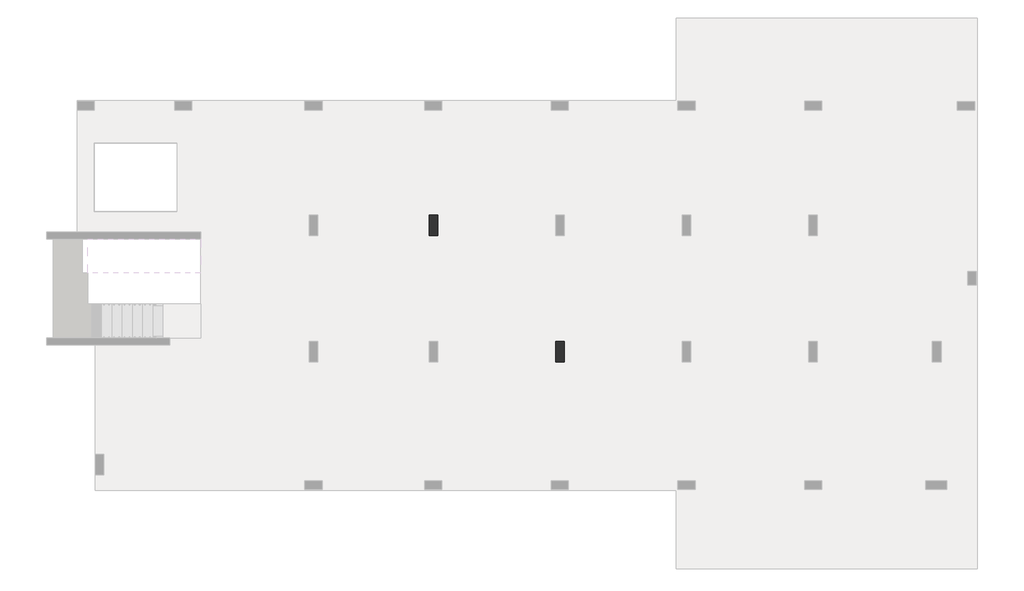
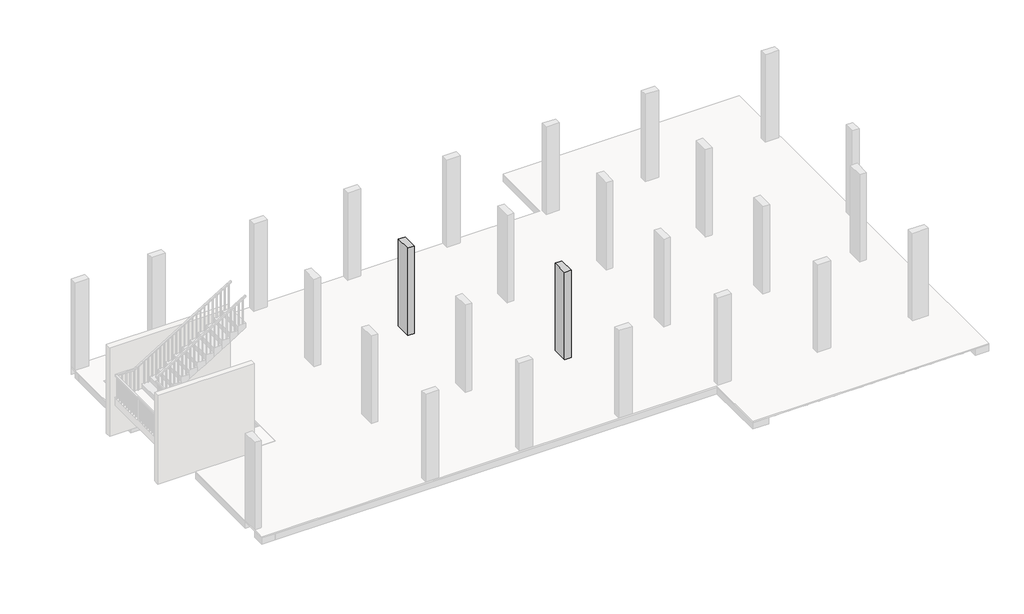
# One storey, part 2 of 5: 17 beams, 2 columns.
"""IFC4 building model written with IfcOpenShell, lengths in millimetres."""

from ifc_helpers import new_model, si_unit, frame, origin, place, context, project, spatial, polyline, outline, extrude, faceted_brep, element, save

model = new_model("IFC4")

# Units and contexts
model_context = context("Model", 3, world=origin())
ifc_project = project(units=[si_unit("LENGTHUNIT", "METRE", prefix="MILLI")], contexts=[model_context])

# Site, building, storey
site = spatial("IfcSite", under=ifc_project)
building = spatial("IfcBuilding", under=site)
storey = spatial("IfcBuildingStorey", under=building, Elevation=7000.0)

# Beams
placement = place(None, origin())
element("IfcBeam", 1, ObjectType="B 150 x 250 mm", at=placement, inside=storey, context=model_context, shape_type="SweptSolid", body=[
    extrude(outline(polyline([(14525.0390798, -3896.893934), (14675.0390798, -3896.893934), (14675.0390798, -6796.8939341), (14525.0390798, -6796.8939341), (14525.0390798, -3896.893934)])), frame((0.0, 0.0, 6700.0), z_axis=(0.0, 0.0, 1.0), x_axis=(1.0, 0.0, 0.0)), (0.0, 0.0, 1.0), 250.0),
])
element("IfcBeam", 2, ObjectType="B 150 x 250 mm", at=placement, inside=storey, context=model_context, shape_type="SweptSolid", body=[
    extrude(outline(polyline([(15075.0390798, -3896.893934), (15225.0390798, -3896.893934), (15225.0390798, -6796.8939341), (15075.0390798, -6796.8939341), (15075.0390798, -3896.893934)])), frame((0.0, 0.0, 6700.0), z_axis=(0.0, 0.0, 1.0), x_axis=(1.0, 0.0, 0.0)), (0.0, 0.0, 1.0), 250.0),
])
element("IfcBeam", 3, ObjectType="B 150 x 250 mm", at=placement, inside=storey, context=model_context, shape_type="SweptSolid", body=[
    extrude(outline(polyline([(15625.0390798, -3896.893934), (15775.0390798, -3896.893934), (15775.0390798, -6796.8939341), (15625.0390798, -6796.8939341), (15625.0390798, -3896.893934)])), frame((0.0, 0.0, 6700.0), z_axis=(0.0, 0.0, 1.0), x_axis=(1.0, 0.0, 0.0)), (0.0, 0.0, 1.0), 250.0),
])
element("IfcBeam", 4, ObjectType="B 150 x 250 mm", at=placement, inside=storey, context=model_context, shape_type="SweptSolid", body=[
    extrude(outline(polyline([(10825.0390798, -346.893934), (10975.0390798, -346.893934), (10975.0390798, -3096.893934), (10825.0390798, -3096.893934), (10825.0390798, -346.893934)])), frame((0.0, 0.0, 6700.0), z_axis=(0.0, 0.0, 1.0), x_axis=(1.0, 0.0, 0.0)), (0.0, 0.0, 1.0), 250.0),
])
element("IfcBeam", 5, ObjectType="B 150 x 250 mm", at=placement, inside=storey, context=model_context, shape_type="SweptSolid", body=[
    extrude(outline(polyline([(11375.0390798, -346.893934), (11525.0390798, -346.893934), (11525.0390798, -3096.893934), (11375.0390798, -3096.893934), (11375.0390798, -346.893934)])), frame((0.0, 0.0, 6700.0), z_axis=(0.0, 0.0, 1.0), x_axis=(1.0, 0.0, 0.0)), (0.0, 0.0, 1.0), 250.0),
])
element("IfcBeam", 6, ObjectType="B 150 x 250 mm", at=placement, inside=storey, context=model_context, shape_type="SweptSolid", body=[
    extrude(outline(polyline([(10825.0390798, -3896.893934), (10975.0390798, -3896.893934), (10975.0390798, -6796.8939341), (10825.0390798, -6796.8939341), (10825.0390798, -3896.893934)])), frame((0.0, 0.0, 6700.0), z_axis=(0.0, 0.0, 1.0), x_axis=(1.0, 0.0, 0.0)), (0.0, 0.0, 1.0), 250.0),
])
element("IfcBeam", 7, ObjectType="B 150 x 250 mm", at=placement, inside=storey, context=model_context, shape_type="SweptSolid", body=[
    extrude(outline(polyline([(11375.0390798, -3896.893934), (11525.0390798, -3896.893934), (11525.0390798, -6796.8939341), (11375.0390798, -6796.8939341), (11375.0390798, -3896.893934)])), frame((0.0, 0.0, 6700.0), z_axis=(0.0, 0.0, 1.0), x_axis=(1.0, 0.0, 0.0)), (0.0, 0.0, 1.0), 250.0),
])
element("IfcBeam", 8, ObjectType="B 150 x 250 mm", at=placement, inside=storey, context=model_context, shape_type="SweptSolid", body=[
    extrude(outline(polyline([(11925.0390798, -3896.893934), (12075.0390798, -3896.893934), (12075.0390798, -6796.8939341), (11925.0390798, -6796.8939341), (11925.0390798, -3896.893934)])), frame((0.0, 0.0, 6700.0), z_axis=(0.0, 0.0, 1.0), x_axis=(1.0, 0.0, 0.0)), (0.0, 0.0, 1.0), 250.0),
])
element("IfcBeam", 9, ObjectType="B 150 x 250 mm", at=placement, inside=storey, context=model_context, shape_type="SweptSolid", body=[
    extrude(outline(polyline([(12475.0390798, -3896.893934), (12625.0390798, -3896.893934), (12625.0390798, -6796.8939341), (12475.0390798, -6796.8939341), (12475.0390798, -3896.893934)])), frame((0.0, 0.0, 6700.0), z_axis=(0.0, 0.0, 1.0), x_axis=(1.0, 0.0, 0.0)), (0.0, 0.0, 1.0), 250.0),
])
element("IfcBeam", 10, ObjectType="B 150 x 250 mm", at=placement, inside=storey, context=model_context, shape_type="SweptSolid", body=[
    extrude(outline(polyline([(13025.0390798, -3896.893934), (13175.0390798, -3896.893934), (13175.0390798, -6796.8939341), (13025.0390798, -6796.8939341), (13025.0390798, -3896.893934)])), frame((0.0, 0.0, 6700.0), z_axis=(0.0, 0.0, 1.0), x_axis=(1.0, 0.0, 0.0)), (0.0, 0.0, 1.0), 250.0),
])
element("IfcBeam", 11, ObjectType="B 150 x 250 mm", at=placement, inside=storey, context=model_context, shape_type="SweptSolid", body=[
    extrude(outline(polyline([(9425.0390798, -3896.893934), (9575.0390798, -3896.893934), (9575.0390798, -6796.8939341), (9425.0390798, -6796.8939341), (9425.0390798, -3896.893934)])), frame((0.0, 0.0, 6700.0), z_axis=(0.0, 0.0, 1.0), x_axis=(1.0, 0.0, 0.0)), (0.0, 0.0, 1.0), 250.0),
])
element("IfcBeam", 12, ObjectType="B 150 x 250 mm", at=placement, inside=storey, context=model_context, shape_type="SweptSolid", body=[
    extrude(outline(polyline([(8325.0390798, -346.893934), (8475.0390798, -346.893934), (8475.0390798, -3096.893934), (8325.0390798, -3096.893934), (8325.0390798, -346.893934)])), frame((0.0, 0.0, 6700.0), z_axis=(0.0, 0.0, 1.0), x_axis=(1.0, 0.0, 0.0)), (0.0, 0.0, 1.0), 250.0),
])
element("IfcBeam", 13, ObjectType="B 150 x 250 mm", at=placement, inside=storey, context=model_context, shape_type="SweptSolid", body=[
    extrude(outline(polyline([(8875.0390798, -346.893934), (9025.0390798, -346.893934), (9025.0390798, -3096.893934), (8875.0390798, -3096.893934), (8875.0390798, -346.893934)])), frame((0.0, 0.0, 6700.0), z_axis=(0.0, 0.0, 1.0), x_axis=(1.0, 0.0, 0.0)), (0.0, 0.0, 1.0), 250.0),
])
element("IfcBeam", 14, ObjectType="B 150 x 250 mm", at=placement, inside=storey, context=model_context, shape_type="SweptSolid", body=[
    extrude(outline(polyline([(9425.0390798, -346.893934), (9575.0390798, -346.893934), (9575.0390798, -3096.893934), (9425.0390798, -3096.893934), (9425.0390798, -346.893934)])), frame((0.0, 0.0, 6700.0), z_axis=(0.0, 0.0, 1.0), x_axis=(1.0, 0.0, 0.0)), (0.0, 0.0, 1.0), 250.0),
])
element("IfcBeam", 15, ObjectType="B4 800 x 250 mm", at=placement, inside=storey, context=model_context, shape_type="Brep", body=[
    faceted_brep([(25550.0000727, -7596.8939341, 6950.0), (25550.0000727, -7596.8939341, 6700.0), (25550.0000727, -6796.8939341, 6700.0), (25550.0000727, -6796.8939341, 6950.0), (25275.0195763, -6796.8939341, 6950.0), (25125.0195763, -6796.8939341, 6950.0), (24725.0195763, -6796.8939341, 6950.0), (24575.0195763, -6796.8939341, 6950.0), (24175.0195763, -6796.8939341, 6950.0), (24025.0195763, -6796.8939341, 6950.0), (23625.0195763, -6796.8939341, 6950.0), (23475.0195763, -6796.8939341, 6950.0), (23075.0195763, -6796.8939341, 6950.0), (22925.0195763, -6796.8939341, 6950.0), (22525.0195763, -6796.8939341, 6950.0), (22375.0195763, -6796.8939341, 6950.0), (21975.0195763, -6796.8939341, 6950.0), (21825.0195763, -6796.8939341, 6950.0), (21550.0390798, -6796.8939341, 6950.0), (20950.0390798, -6796.8939341, 6950.0), (20575.0390798, -6796.8939341, 6950.0), (20425.0390798, -6796.8939341, 6950.0), (20025.0390798, -6796.8939341, 6950.0), (19875.0390798, -6796.8939341, 6950.0), (19475.0390798, -6796.8939341, 6950.0), (19325.0390798, -6796.8939341, 6950.0), (18925.0390798, -6796.8939341, 6950.0), (18775.0390798, -6796.8939341, 6950.0), (18375.0390798, -6796.8939341, 6950.0), (18225.0390798, -6796.8939341, 6950.0), (17850.0390798, -6796.8939341, 6950.0), (17250.0390798, -6796.8939341, 6950.0), (16875.0390798, -6796.8939341, 6950.0), (16725.0390798, -6796.8939341, 6950.0), (16325.0390798, -6796.8939341, 6950.0), (16175.0390798, -6796.8939341, 6950.0), (15775.0390798, -6796.8939341, 6950.0), (15625.0390798, -6796.8939341, 6950.0), (15225.0390798, -6796.8939341, 6950.0), (15075.0390798, -6796.8939341, 6950.0), (14675.0390798, -6796.8939341, 6950.0), (14525.0390798, -6796.8939341, 6950.0), (14150.0390798, -6796.8939341, 6950.0), (13550.0390798, -6796.8939341, 6950.0), (13175.0390798, -6796.8939341, 6950.0), (13025.0390798, -6796.8939341, 6950.0), (12625.0390798, -6796.8939341, 6950.0), (12475.0390798, -6796.8939341, 6950.0), (12075.0390798, -6796.8939341, 6950.0), (11925.0390798, -6796.8939341, 6950.0), (11525.0390798, -6796.8939341, 6950.0), (11375.0390798, -6796.8939341, 6950.0), (10975.0390798, -6796.8939341, 6950.0), (10825.0390798, -6796.8939341, 6950.0), (10450.0390798, -6796.8939341, 6950.0), (9850.0390798, -6796.8939341, 6950.0), (9575.0390798, -6796.8939341, 6950.0), (9425.0390798, -6796.8939341, 6950.0), (9025.0390798, -6796.8939341, 6950.0), (8875.0390798, -6796.8939341, 6950.0), (8475.0390798, -6796.8939341, 6950.0), (8325.0390798, -6796.8939341, 6950.0), (7925.0390798, -6796.8939341, 6950.0), (7775.0390798, -6796.8939341, 6950.0), (7375.0390798, -6796.8939341, 6950.0), (7225.0390798, -6796.8939341, 6950.0), (6950.0390798, -6796.8939341, 6950.0), (6350.0390798, -6796.8939341, 6950.0), (6275.0195399, -6796.8939341, 6950.0), (6125.0195399, -6796.8939341, 6950.0), (5725.0195399, -6796.8939341, 6950.0), (5575.0195399, -6796.8939341, 6950.0), (5175.0195399, -6796.8939341, 6950.0), (5025.0195399, -6796.8939341, 6950.0), (4625.0195399, -6796.8939341, 6950.0), (4475.0195399, -6796.8939341, 6950.0), (4075.0195399, -6796.8939341, 6950.0), (3925.0195399, -6796.8939341, 6950.0), (3850.0, -6796.8939341, 6950.0), (3350.0, -6796.8939341, 6950.0), (2450.0, -6796.8939341, 6950.0), (2450.0, -6996.8939341, 6950.0), (777.7588387, -6996.8939341, 6950.0), (777.7588387, -7596.8939341, 6950.0), (888.8989593, -7596.8939341, 6950.0), (1288.8989593, -7596.8939341, 6950.0), (1438.8989593, -7596.8939341, 6950.0), (1838.8989593, -7596.8939341, 6950.0), (1988.8989593, -7596.8939341, 6950.0), (2388.8989593, -7596.8939341, 6950.0), (2538.8989593, -7596.8939341, 6950.0), (2938.8989593, -7596.8939341, 6950.0), (3088.8989593, -7596.8939341, 6950.0), (3488.8989593, -7596.8939341, 6950.0), (3638.8989593, -7596.8939341, 6950.0), (4038.8989593, -7596.8939341, 6950.0), (4188.8989593, -7596.8939341, 6950.0), (4588.8989593, -7596.8939341, 6950.0), (4738.8989593, -7596.8939341, 6950.0), (5138.8989593, -7596.8939341, 6950.0), (5288.8989593, -7596.8939341, 6950.0), (5688.8989593, -7596.8939341, 6950.0), (5838.8989593, -7596.8939341, 6950.0), (6238.8989593, -7596.8939341, 6950.0), (6350.0390798, -7596.8939341, 6950.0), (6950.0390798, -7596.8939341, 6950.0), (7225.0390798, -7596.8939341, 6950.0), (7375.0390798, -7596.8939341, 6950.0), (7775.0390798, -7596.8939341, 6950.0), (7925.0390798, -7596.8939341, 6950.0), (8325.0390798, -7596.8939341, 6950.0), (8475.0390798, -7596.8939341, 6950.0), (8875.0390798, -7596.8939341, 6950.0), (9025.0390798, -7596.8939341, 6950.0), (9425.0390798, -7596.8939341, 6950.0), (9575.0390798, -7596.8939341, 6950.0), (9850.0390798, -7596.8939341, 6950.0), (10450.0390798, -7596.8939341, 6950.0), (10825.0390798, -7596.8939341, 6950.0), (10975.0390798, -7596.8939341, 6950.0), (11375.0390798, -7596.8939341, 6950.0), (11525.0390798, -7596.8939341, 6950.0), (11925.0390798, -7596.8939341, 6950.0), (12075.0390798, -7596.8939341, 6950.0), (12475.0390798, -7596.8939341, 6950.0), (12625.0390798, -7596.8939341, 6950.0), (13025.0390798, -7596.8939341, 6950.0), (13175.0390798, -7596.8939341, 6950.0), (13550.0390798, -7596.8939341, 6950.0), (14150.0390798, -7596.8939341, 6950.0), (14525.0390798, -7596.8939341, 6950.0), (14675.0390798, -7596.8939341, 6950.0), (15075.0390798, -7596.8939341, 6950.0), (15225.0390798, -7596.8939341, 6950.0), (15625.0390798, -7596.8939341, 6950.0), (15775.0390798, -7596.8939341, 6950.0), (16175.0390798, -7596.8939341, 6950.0), (16325.0390798, -7596.8939341, 6950.0), (16725.0390798, -7596.8939341, 6950.0), (16875.0390798, -7596.8939341, 6950.0), (17250.0390798, -7596.8939341, 6950.0), (17850.0390798, -7596.8939341, 6950.0), (18225.0390798, -7596.8939341, 6950.0), (18375.0390798, -7596.8939341, 6950.0), (18775.0390798, -7596.8939341, 6950.0), (18925.0390798, -7596.8939341, 6950.0), (19325.0390798, -7596.8939341, 6950.0), (19475.0390798, -7596.8939341, 6950.0), (19875.0390798, -7596.8939341, 6950.0), (20025.0390798, -7596.8939341, 6950.0), (20425.0390798, -7596.8939341, 6950.0), (20575.0390798, -7596.8939341, 6950.0), (20950.0390798, -7596.8939341, 6950.0), (21550.0390798, -7596.8939341, 6950.0), (21825.0195763, -7596.8939341, 6950.0), (21975.0195763, -7596.8939341, 6950.0), (22375.0195763, -7596.8939341, 6950.0), (22525.0195763, -7596.8939341, 6950.0), (22925.0195763, -7596.8939341, 6950.0), (23075.0195763, -7596.8939341, 6950.0), (23475.0195763, -7596.8939341, 6950.0), (23625.0195763, -7596.8939341, 6950.0), (24025.0195763, -7596.8939341, 6950.0), (24175.0195763, -7596.8939341, 6950.0), (24575.0195763, -7596.8939341, 6950.0), (24725.0195763, -7596.8939341, 6950.0), (25125.0195763, -7596.8939341, 6950.0), (25275.0195763, -7596.8939341, 6950.0), (24735.2850434, -6896.8939341, 6950.0), (24985.2850434, -6896.8939341, 6950.0), (24985.2850434, -7496.8939341, 6950.0), (24735.2850434, -7496.8939341, 6950.0), (21125.0390798, -6896.8939341, 6950.0), (21375.0390798, -6896.8939341, 6950.0), (21375.0390798, -7496.8939341, 6950.0), (21125.0390798, -7496.8939341, 6950.0), (17425.0390798, -6896.8939341, 6950.0), (17675.0390798, -6896.8939341, 6950.0), (17675.0390798, -7496.8939341, 6950.0), (17425.0390798, -7496.8939341, 6950.0), (13725.0390798, -6896.8939341, 6950.0), (13975.0390798, -6896.8939341, 6950.0), (13975.0390798, -7496.8939341, 6950.0), (13725.0390798, -7496.8939341, 6950.0), (10025.0390798, -6896.8939341, 6950.0), (10275.0390798, -6896.8939341, 6950.0), (10275.0390798, -7496.8939341, 6950.0), (10025.0390798, -7496.8939341, 6950.0), (6525.0390798, -6896.8939341, 6950.0), (6775.0390798, -6896.8939341, 6950.0), (6775.0390798, -7496.8939341, 6950.0), (6525.0390798, -7496.8939341, 6950.0), (25275.0195763, -6796.8939341, 6700.0), (25125.0195763, -6796.8939341, 6700.0), (24725.0195763, -6796.8939341, 6700.0), (24575.0195763, -6796.8939341, 6700.0), (24175.0195763, -6796.8939341, 6700.0), (24025.0195763, -6796.8939341, 6700.0), (23625.0195763, -6796.8939341, 6700.0), (23475.0195763, -6796.8939341, 6700.0), (23075.0195763, -6796.8939341, 6700.0), (22925.0195763, -6796.8939341, 6700.0), (22525.0195763, -6796.8939341, 6700.0), (22375.0195763, -6796.8939341, 6700.0), (21975.0195763, -6796.8939341, 6700.0), (21825.0195763, -6796.8939341, 6700.0), (21550.0390798, -6796.8939341, 6700.0), (20950.0390798, -6796.8939341, 6700.0), (20575.0390798, -6796.8939341, 6700.0), (20425.0390798, -6796.8939341, 6700.0), (20025.0390798, -6796.8939341, 6700.0), (19875.0390798, -6796.8939341, 6700.0), (19475.0390798, -6796.8939341, 6700.0), (19325.0390798, -6796.8939341, 6700.0), (18925.0390798, -6796.8939341, 6700.0), (18775.0390798, -6796.8939341, 6700.0), (18375.0390798, -6796.8939341, 6700.0), (18225.0390798, -6796.8939341, 6700.0), (17850.0390798, -6796.8939341, 6700.0), (17250.0390798, -6796.8939341, 6700.0), (16875.0390798, -6796.8939341, 6700.0), (16725.0390798, -6796.8939341, 6700.0), (16325.0390798, -6796.8939341, 6700.0), (16175.0390798, -6796.8939341, 6700.0), (15775.0390798, -6796.8939341, 6700.0), (15625.0390798, -6796.8939341, 6700.0), (15225.0390798, -6796.8939341, 6700.0), (15075.0390798, -6796.8939341, 6700.0), (14675.0390798, -6796.8939341, 6700.0), (14525.0390798, -6796.8939341, 6700.0), (14150.0390798, -6796.8939341, 6700.0), (13550.0390798, -6796.8939341, 6700.0), (13175.0390798, -6796.8939341, 6700.0), (13025.0390798, -6796.8939341, 6700.0), (12625.0390798, -6796.8939341, 6700.0), (12475.0390798, -6796.8939341, 6700.0), (12075.0390798, -6796.8939341, 6700.0), (11925.0390798, -6796.8939341, 6700.0), (11525.0390798, -6796.8939341, 6700.0), (11375.0390798, -6796.8939341, 6700.0), (10975.0390798, -6796.8939341, 6700.0), (10825.0390798, -6796.8939341, 6700.0), (10450.0390798, -6796.8939341, 6700.0), (9850.0390798, -6796.8939341, 6700.0), (9575.0390798, -6796.8939341, 6700.0), (9425.0390798, -6796.8939341, 6700.0), (9025.0390798, -6796.8939341, 6700.0), (8875.0390798, -6796.8939341, 6700.0), (8475.0390798, -6796.8939341, 6700.0), (8325.0390798, -6796.8939341, 6700.0), (7925.0390798, -6796.8939341, 6700.0), (7775.0390798, -6796.8939341, 6700.0), (7375.0390798, -6796.8939341, 6700.0), (7225.0390798, -6796.8939341, 6700.0), (6950.0390798, -6796.8939341, 6700.0), (6350.0390798, -6796.8939341, 6700.0), (6275.0195399, -6796.8939341, 6700.0), (6125.0195399, -6796.8939341, 6700.0), (5725.0195399, -6796.8939341, 6700.0), (5575.0195399, -6796.8939341, 6700.0), (5175.0195399, -6796.8939341, 6700.0), (5025.0195399, -6796.8939341, 6700.0), (4625.0195399, -6796.8939341, 6700.0), (4475.0195399, -6796.8939341, 6700.0), (4075.0195399, -6796.8939341, 6700.0), (3925.0195399, -6796.8939341, 6700.0), (3850.0, -6796.8939341, 6700.0), (3350.0, -6796.8939341, 6700.0), (2450.0, -6796.8939341, 6700.0), (25275.0195763, -7596.8939341, 6700.0), (25125.0195763, -7596.8939341, 6700.0), (24725.0195763, -7596.8939341, 6700.0), (24575.0195763, -7596.8939341, 6700.0), (24175.0195763, -7596.8939341, 6700.0), (24025.0195763, -7596.8939341, 6700.0), (23625.0195763, -7596.8939341, 6700.0), (23475.0195763, -7596.8939341, 6700.0), (23075.0195763, -7596.8939341, 6700.0), (22925.0195763, -7596.8939341, 6700.0), (22525.0195763, -7596.8939341, 6700.0), (22375.0195763, -7596.8939341, 6700.0), (21975.0195763, -7596.8939341, 6700.0), (21825.0195763, -7596.8939341, 6700.0), (21550.0390798, -7596.8939341, 6700.0), (20950.0390798, -7596.8939341, 6700.0), (20575.0390798, -7596.8939341, 6700.0), (20425.0390798, -7596.8939341, 6700.0), (20025.0390798, -7596.8939341, 6700.0), (19875.0390798, -7596.8939341, 6700.0), (19475.0390798, -7596.8939341, 6700.0), (19325.0390798, -7596.8939341, 6700.0), (18925.0390798, -7596.8939341, 6700.0), (18775.0390798, -7596.8939341, 6700.0), (18375.0390798, -7596.8939341, 6700.0), (18225.0390798, -7596.8939341, 6700.0), (17850.0390798, -7596.8939341, 6700.0), (17250.0390798, -7596.8939341, 6700.0), (16875.0390798, -7596.8939341, 6700.0), (16725.0390798, -7596.8939341, 6700.0), (16325.0390798, -7596.8939341, 6700.0), (16175.0390798, -7596.8939341, 6700.0), (15775.0390798, -7596.8939341, 6700.0), (15625.0390798, -7596.8939341, 6700.0), (15225.0390798, -7596.8939341, 6700.0), (15075.0390798, -7596.8939341, 6700.0), (14675.0390798, -7596.8939341, 6700.0), (14525.0390798, -7596.8939341, 6700.0), (14150.0390798, -7596.8939341, 6700.0), (13550.0390798, -7596.8939341, 6700.0), (13175.0390798, -7596.8939341, 6700.0), (13025.0390798, -7596.8939341, 6700.0), (12625.0390798, -7596.8939341, 6700.0), (12475.0390798, -7596.8939341, 6700.0), (12075.0390798, -7596.8939341, 6700.0), (11925.0390798, -7596.8939341, 6700.0), (11525.0390798, -7596.8939341, 6700.0), (11375.0390798, -7596.8939341, 6700.0), (10975.0390798, -7596.8939341, 6700.0), (10825.0390798, -7596.8939341, 6700.0), (10450.0390798, -7596.8939341, 6700.0), (9850.0390798, -7596.8939341, 6700.0), (9575.0390798, -7596.8939341, 6700.0), (9425.0390798, -7596.8939341, 6700.0), (9025.0390798, -7596.8939341, 6700.0), (8875.0390798, -7596.8939341, 6700.0), (8475.0390798, -7596.8939341, 6700.0), (8325.0390798, -7596.8939341, 6700.0), (7925.0390798, -7596.8939341, 6700.0), (7775.0390798, -7596.8939341, 6700.0), (7375.0390798, -7596.8939341, 6700.0), (7225.0390798, -7596.8939341, 6700.0), (6950.0390798, -7596.8939341, 6700.0), (6350.0390798, -7596.8939341, 6700.0), (6238.8989593, -7596.8939341, 6700.0), (5838.8989593, -7596.8939341, 6700.0), (5688.8989593, -7596.8939341, 6700.0), (5288.8989593, -7596.8939341, 6700.0), (5138.8989593, -7596.8939341, 6700.0), (4738.8989593, -7596.8939341, 6700.0), (4588.8989593, -7596.8939341, 6700.0), (4188.8989593, -7596.8939341, 6700.0), (4038.8989593, -7596.8939341, 6700.0), (3638.8989593, -7596.8939341, 6700.0), (3488.8989593, -7596.8939341, 6700.0), (3088.8989593, -7596.8939341, 6700.0), (2938.8989593, -7596.8939341, 6700.0), (2538.8989593, -7596.8939341, 6700.0), (2388.8989593, -7596.8939341, 6700.0), (1988.8989593, -7596.8939341, 6700.0), (1838.8989593, -7596.8939341, 6700.0), (1438.8989593, -7596.8939341, 6700.0), (1288.8989593, -7596.8939341, 6700.0), (888.8989593, -7596.8939341, 6700.0), (777.7588387, -7596.8939341, 6700.0), (777.7588387, -6996.8939341, 6700.0), (2450.0, -6996.8939341, 6700.0), (24985.2850434, -6896.8939341, 6700.0), (24735.2850434, -6896.8939341, 6700.0), (24735.2850434, -7496.8939341, 6700.0), (24985.2850434, -7496.8939341, 6700.0), (21375.0390798, -6896.8939341, 6700.0), (21125.0390798, -6896.8939341, 6700.0), (21125.0390798, -7146.8939341, 6700.0), (21125.0390798, -7246.8939341, 6700.0), (21125.0390798, -7496.8939341, 6700.0), (21375.0390798, -7496.8939341, 6700.0), (17675.0390798, -6896.8939341, 6700.0), (17425.0390798, -6896.8939341, 6700.0), (17425.0390798, -7146.8939341, 6700.0), (17425.0390798, -7246.8939341, 6700.0), (17425.0390798, -7496.8939341, 6700.0), (17675.0390798, -7496.8939341, 6700.0), (17675.0390798, -7246.8939341, 6700.0), (17675.0390798, -7146.8939341, 6700.0), (13975.0390798, -6896.8939341, 6700.0), (13725.0390798, -6896.8939341, 6700.0), (13725.0390798, -7146.8939341, 6700.0), (13725.0390798, -7246.8939341, 6700.0), (13725.0390798, -7496.8939341, 6700.0), (13975.0390798, -7496.8939341, 6700.0), (13975.0390798, -7246.8939341, 6700.0), (13975.0390798, -7146.8939341, 6700.0), (10275.0390798, -6896.8939341, 6700.0), (10025.0390798, -6896.8939341, 6700.0), (10025.0390798, -7146.8939341, 6700.0), (10025.0390798, -7246.8939341, 6700.0), (10025.0390798, -7496.8939341, 6700.0), (10275.0390798, -7496.8939341, 6700.0), (10275.0390798, -7246.8939341, 6700.0), (10275.0390798, -7146.8939341, 6700.0), (6775.0390798, -6896.8939341, 6700.0), (6525.0390798, -6896.8939341, 6700.0), (6525.0390798, -7496.8939341, 6700.0), (6775.0390798, -7496.8939341, 6700.0), (6775.0390798, -7246.8939341, 6700.0), (6775.0390798, -7146.8939341, 6700.0)], [[[0, 1, 2, 3]], [[0, 3, 4, 5, 6, 7, 8, 9, 10, 11, 12, 13, 14, 15, 16, 17, 18, 19, 20, 21, 22, 23, 24, 25, 26, 27, 28, 29, 30, 31, 32, 33, 34, 35, 36, 37, 38, 39, 40, 41, 42, 43, 44, 45, 46, 47, 48, 49, 50, 51, 52, 53, 54, 55, 56, 57, 58, 59, 60, 61, 62, 63, 64, 65, 66, 67, 68, 69, 70, 71, 72, 73, 74, 75, 76, 77, 78, 79, 80, 81, 82, 83, 84, 85, 86, 87, 88, 89, 90, 91, 92, 93, 94, 95, 96, 97, 98, 99, 100, 101, 102, 103, 104, 105, 106, 107, 108, 109, 110, 111, 112, 113, 114, 115, 116, 117, 118, 119, 120, 121, 122, 123, 124, 125, 126, 127, 128, 129, 130, 131, 132, 133, 134, 135, 136, 137, 138, 139, 140, 141, 142, 143, 144, 145, 146, 147, 148, 149, 150, 151, 152, 153, 154, 155, 156, 157, 158, 159, 160, 161, 162, 163, 164, 165, 166, 167], [168, 169, 170, 171], [172, 173, 174, 175], [176, 177, 178, 179], [180, 181, 182, 183], [184, 185, 186, 187], [188, 189, 190, 191]], [[3, 2, 192, 193, 194, 195, 196, 197, 198, 199, 200, 201, 202, 203, 204, 205, 206, 207, 208, 209, 210, 211, 212, 213, 214, 215, 216, 217, 218, 219, 220, 221, 222, 223, 224, 225, 226, 227, 228, 229, 230, 231, 232, 233, 234, 235, 236, 237, 238, 239, 240, 241, 242, 243, 244, 245, 246, 247, 248, 249, 250, 251, 252, 253, 254, 255, 256, 257, 258, 259, 260, 261, 262, 263, 264, 265, 266, 267, 268, 80, 79, 78, 77, 76, 75, 74, 73, 72, 71, 70, 69, 68, 67, 66, 65, 64, 63, 62, 61, 60, 59, 58, 57, 56, 55, 54, 53, 52, 51, 50, 49, 48, 47, 46, 45, 44, 43, 42, 41, 40, 39, 38, 37, 36, 35, 34, 33, 32, 31, 30, 29, 28, 27, 26, 25, 24, 23, 22, 21, 20, 19, 18, 17, 16, 15, 14, 13, 12, 11, 10, 9, 8, 7, 6, 5, 4]], [[2, 1, 269, 270, 271, 272, 273, 274, 275, 276, 277, 278, 279, 280, 281, 282, 283, 284, 285, 286, 287, 288, 289, 290, 291, 292, 293, 294, 295, 296, 297, 298, 299, 300, 301, 302, 303, 304, 305, 306, 307, 308, 309, 310, 311, 312, 313, 314, 315, 316, 317, 318, 319, 320, 321, 322, 323, 324, 325, 326, 327, 328, 329, 330, 331, 332, 333, 334, 335, 336, 337, 338, 339, 340, 341, 342, 343, 344, 345, 346, 347, 348, 349, 350, 351, 352, 353, 354, 355, 268, 267, 266, 265, 264, 263, 262, 261, 260, 259, 258, 257, 256, 255, 254, 253, 252, 251, 250, 249, 248, 247, 246, 245, 244, 243, 242, 241, 240, 239, 238, 237, 236, 235, 234, 233, 232, 231, 230, 229, 228, 227, 226, 225, 224, 223, 222, 221, 220, 219, 218, 217, 216, 215, 214, 213, 212, 211, 210, 209, 208, 207, 206, 205, 204, 203, 202, 201, 200, 199, 198, 197, 196, 195, 194, 193, 192], [356, 357, 358, 359], [360, 361, 362, 363, 364, 365], [366, 367, 368, 369, 370, 371, 372, 373], [374, 375, 376, 377, 378, 379, 380, 381], [382, 383, 384, 385, 386, 387, 388, 389], [390, 391, 392, 393, 394, 395]], [[1, 0, 167, 166, 165, 164, 163, 162, 161, 160, 159, 158, 157, 156, 155, 154, 153, 152, 151, 150, 149, 148, 147, 146, 145, 144, 143, 142, 141, 140, 139, 138, 137, 136, 135, 134, 133, 132, 131, 130, 129, 128, 127, 126, 125, 124, 123, 122, 121, 120, 119, 118, 117, 116, 115, 114, 113, 112, 111, 110, 109, 108, 107, 106, 105, 104, 103, 102, 101, 100, 99, 98, 97, 96, 95, 94, 93, 92, 91, 90, 89, 88, 87, 86, 85, 84, 83, 353, 352, 351, 350, 349, 348, 347, 346, 345, 344, 343, 342, 341, 340, 339, 338, 337, 336, 335, 334, 333, 332, 331, 330, 329, 328, 327, 326, 325, 324, 323, 322, 321, 320, 319, 318, 317, 316, 315, 314, 313, 312, 311, 310, 309, 308, 307, 306, 305, 304, 303, 302, 301, 300, 299, 298, 297, 296, 295, 294, 293, 292, 291, 290, 289, 288, 287, 286, 285, 284, 283, 282, 281, 280, 279, 278, 277, 276, 275, 274, 273, 272, 271, 270, 269]], [[356, 169, 168, 357]], [[170, 359, 358, 171]], [[169, 356, 359, 170]], [[171, 358, 357, 168]], [[360, 173, 172, 361]], [[174, 365, 364, 175]], [[173, 360, 365, 174]], [[175, 364, 363, 362, 361, 172]], [[366, 177, 176, 367]], [[178, 371, 370, 179]], [[177, 366, 373, 372, 371, 178]], [[179, 370, 369, 368, 367, 176]], [[374, 181, 180, 375]], [[182, 379, 378, 183]], [[181, 374, 381, 380, 379, 182]], [[183, 378, 377, 376, 375, 180]], [[382, 185, 184, 383]], [[186, 387, 386, 187]], [[185, 382, 389, 388, 387, 186]], [[187, 386, 385, 384, 383, 184]], [[390, 189, 188, 391]], [[190, 393, 392, 191]], [[189, 390, 395, 394, 393, 190]], [[191, 392, 391, 188]], [[353, 83, 82, 354]], [[81, 355, 354, 82]], [[355, 81, 80, 268]]]),
])
element("IfcBeam", 16, ObjectType="B6 600 x 250 mm", at=placement, inside=storey, context=model_context, shape_type="SweptSolid", body=[
    extrude(outline(polyline([(13550.0390798, -346.893934), (14150.0390798, -346.893934), (14150.0390798, -3096.893934), (13550.0390798, -3096.893934), (13550.0390798, -346.893934)])), frame((0.0, 0.0, 6700.0), z_axis=(0.0, 0.0, 1.0), x_axis=(1.0, 0.0, 0.0)), (0.0, 0.0, 1.0), 250.0),
    extrude(outline(polyline([(14150.0390798, -10746.893934), (13550.0390798, -10746.893934), (13550.0390798, -7596.8939341), (14150.0390798, -7596.8939341), (14150.0390798, -10746.893934)])), frame((0.0, 0.0, 6700.0), z_axis=(0.0, 0.0, 1.0), x_axis=(1.0, 0.0, 0.0)), (0.0, 0.0, 1.0), 250.0),
    extrude(outline(polyline([(14150.0390798, -6796.8939341), (13550.0390798, -6796.8939341), (13550.0390798, -3896.893934), (14150.0390798, -3896.893934), (14150.0390798, -6796.8939341)])), frame((0.0, 0.0, 6700.0), z_axis=(0.0, 0.0, 1.0), x_axis=(1.0, 0.0, 0.0)), (0.0, 0.0, 1.0), 250.0),
])
element("IfcBeam", 17, ObjectType="B6 600 x 250 mm", at=placement, inside=storey, context=model_context, shape_type="SweptSolid", body=[
    extrude(outline(polyline([(9850.0390798, -346.893934), (10450.0390798, -346.893934), (10450.0390798, -3096.893934), (9850.0390798, -3096.893934), (9850.0390798, -346.893934)])), frame((0.0, 0.0, 6700.0), z_axis=(0.0, 0.0, 1.0), x_axis=(1.0, 0.0, 0.0)), (0.0, 0.0, 1.0), 250.0),
    extrude(outline(polyline([(10450.0390798, -10746.893934), (9850.0390798, -10746.893934), (9850.0390798, -7596.8939341), (10450.0390798, -7596.8939341), (10450.0390798, -10746.893934)])), frame((0.0, 0.0, 6700.0), z_axis=(0.0, 0.0, 1.0), x_axis=(1.0, 0.0, 0.0)), (0.0, 0.0, 1.0), 250.0),
    extrude(outline(polyline([(10450.0390798, -6796.8939341), (9850.0390798, -6796.8939341), (9850.0390798, -3896.893934), (10450.0390798, -3896.893934), (10450.0390798, -6796.8939341)])), frame((0.0, 0.0, 6700.0), z_axis=(0.0, 0.0, 1.0), x_axis=(1.0, 0.0, 0.0)), (0.0, 0.0, 1.0), 250.0),
])

# Columns
element("IfcColumn", 18, ObjectType="C2 25 x 60 mm", at=placement, inside=storey, context=model_context, shape_type="Brep", body=[
    faceted_brep([(10275.0390798, -3195.451857, 7000.0), (10275.0390798, -3795.451857, 7000.0), (10025.0390798, -3795.451857, 7000.0), (10025.0390798, -3195.451857, 7000.0), (10025.0390798, -3195.451857, 10200.0), (10025.0390798, -3195.451857, 10450.0), (10275.0390798, -3195.451857, 10450.0), (10275.0390798, -3195.451857, 10200.0), (10025.0390798, -3795.451857, 10200.0), (10025.0390798, -3795.451857, 10450.0), (10275.0390798, -3795.451857, 10200.0), (10275.0390798, -3795.451857, 10450.0)], [[[0, 1, 2, 3]], [[0, 3, 4, 5, 6, 7]], [[3, 2, 8, 9, 5, 4]], [[2, 1, 10, 11, 9, 8]], [[1, 0, 7, 6, 11, 10]], [[6, 5, 9, 11]]]),
])
element("IfcColumn", 19, ObjectType="C2 25 x 60 mm", at=placement, inside=storey, context=model_context, shape_type="Brep", body=[
    faceted_brep([(13975.0390798, -6896.8939341, 7000.0), (13975.0390798, -7496.8939341, 7000.0), (13725.0390798, -7496.8939341, 7000.0), (13725.0390798, -6896.8939341, 7000.0), (13725.0390798, -6896.8939341, 10200.0), (13725.0390798, -6896.8939341, 10450.0), (13975.0390798, -6896.8939341, 10450.0), (13975.0390798, -6896.8939341, 10200.0), (13725.0390798, -7496.8939341, 10200.0), (13725.0390798, -7496.8939341, 10450.0), (13975.0390798, -7496.8939341, 10200.0), (13975.0390798, -7496.8939341, 10450.0)], [[[0, 1, 2, 3]], [[0, 3, 4, 5, 6, 7]], [[3, 2, 8, 9, 5, 4]], [[2, 1, 10, 11, 9, 8]], [[1, 0, 7, 6, 11, 10]], [[6, 5, 9, 11]]]),
])

save(model, "model.ifc")
